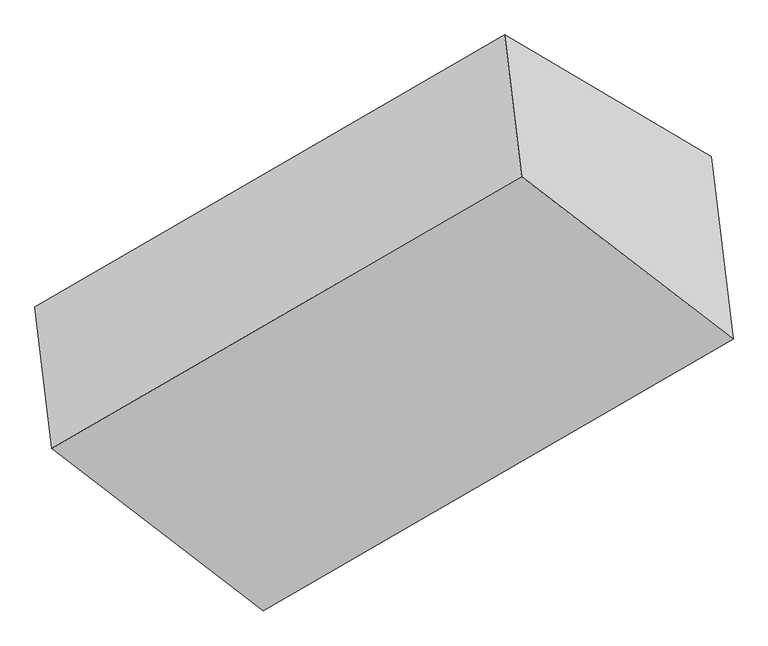
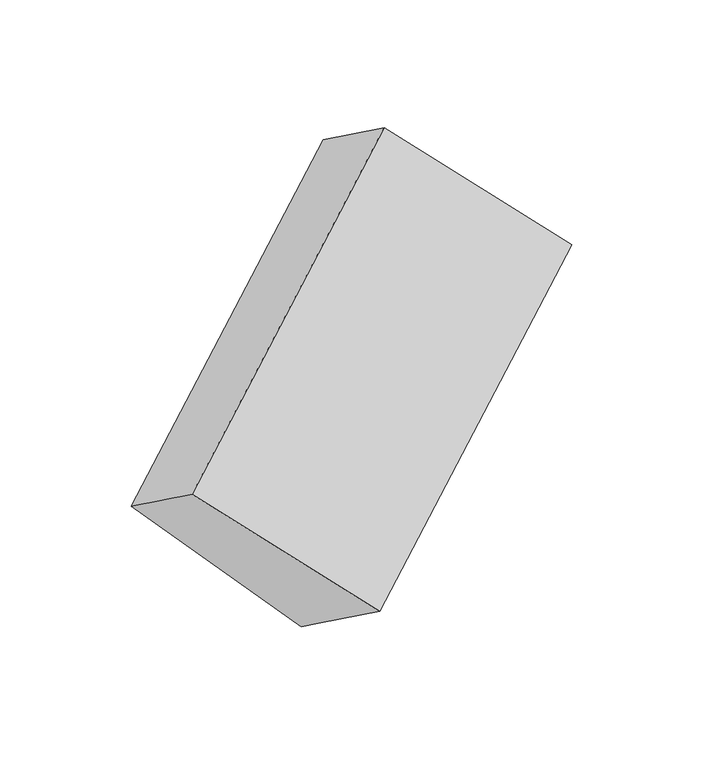
"""IFC4 building model written with IfcOpenShell, lengths in millimetres: proxy geometry."""

from ifc_helpers import new_model, si_unit, origin, place, context, project, spatial, faceted_brep, source, transform, mapped, element, save


def generic_models_793a80f7(model_context):
    return source(origin(), model_context, "Body", "Brep", [
        faceted_brep([(-3787.4660381, -1569.9273756, 1601.3380654), (-3739.1201384, -1973.7091753, 1888.1620345), (-2401.1679561, -1198.6200843, 2746.4127072), (-2449.5138558, -794.8382846, 2459.5887381), (-3199.1244327, -1916.115798, 1014.8163425), (-1861.1722504, -1141.026707, 1873.0670152), (-3183.5803608, -2045.9388726, 1107.0353814), (-1845.6281785, -1270.8497816, 1965.2860541), (-3136.800126, -2436.6443406, 1384.570657), (-1798.8479438, -1661.5552496, 2242.8213297)], [[[0, 1, 2, 3]], [[4, 0, 5]], [[6, 4, 5, 7]], [[8, 6, 7, 9]], [[1, 8, 9, 2]], [[7, 5, 3, 2, 9]], [[1, 0, 4, 6, 8]], [[3, 5, 0]]]),
    ])


if __name__ == "__main__":
    model = new_model("IFC4")
    model_context = context("Model", 3, world=origin())
    ifc_project = project(units=[si_unit("LENGTHUNIT", "METRE", prefix="MILLI")], contexts=[model_context])
    site = spatial("IfcSite", under=ifc_project)
    building = spatial("IfcBuilding", under=site)
    placement = place(None, origin())
    generic_models_shape = generic_models_793a80f7(model_context)
    element("IfcBuildingElementProxy", 1, Name="Generic Models", at=placement, inside=building, context=model_context, shape_type="MappedRepresentation", body=[
        mapped(generic_models_shape, transform((0.0, 0.0, 0.0), x_axis=(1.0, 0.0, 0.0), y_axis=(0.0, 1.0, 0.0), z_axis=(0.0, 0.0, 1.0))),
    ])
    save(model, "model.ifc")
